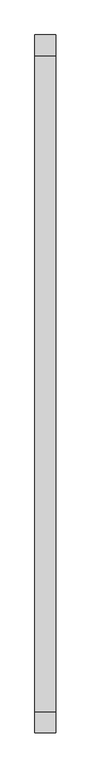
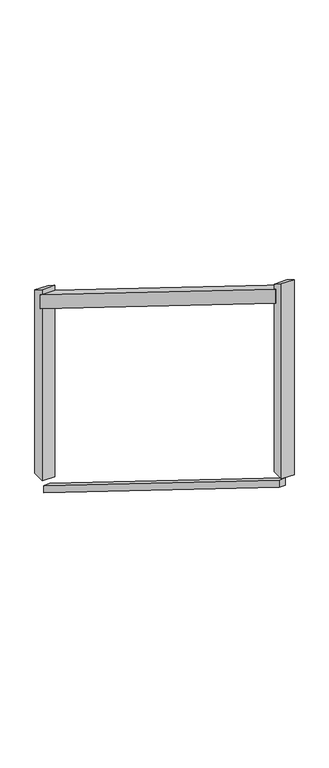
"""IFC4 building model written with IfcOpenShell, lengths in millimetres: railing geometry."""

from ifc_helpers import new_model, si_unit, frame, origin, place, context, project, spatial, polyline, outline, extrude, source, transform, mapped, element, save


def railing_0c926421(model_context):
    return source(origin(), model_context, "Body", "SweptSolid", [
        extrude(outline(polyline([(121108.0306038, 6227.0936501), (121108.0306038, 6167.3063499), (119476.0306038, 7180.1063499), (119476.0306038, 7239.8936501), (121108.0306038, 6227.0936501)])), frame((-19971.045956, 0.0, 0.0), z_axis=(1.0, 0.0, 0.0), x_axis=(0.0, 1.0, 0.0)), (0.0, 0.0, 1.0), 50.8),
        extrude(outline(polyline([(121108.0306038, 5414.546825), (121108.0306038, 5384.653175), (119476.0306038, 6397.453175), (119476.0306038, 6427.346825), (121108.0306038, 5414.546825)])), frame((-19958.345956, 0.0, 0.0), z_axis=(1.0, 0.0, 0.0), x_axis=(0.0, 1.0, 0.0)), (0.0, 0.0, 1.0), 25.4),
        extrude(outline(polyline([(119488.7306038, 7253.0185294), (119488.7306038, 6460.0), (119437.9306038, 6460.0), (119437.9306038, 7284.5444118), (119488.7306038, 7253.0185294)])), frame((-19971.045956, 0.0, 0.0), z_axis=(1.0, 0.0, 0.0), x_axis=(0.0, 1.0, 0.0)), (0.0, 0.0, 1.0), 50.8),
        extrude(outline(polyline([(121146.1306038, 6224.4555882), (121146.1306038, 5447.2), (121095.3306038, 5447.2), (121095.3306038, 6255.9814706), (121146.1306038, 6224.4555882)])), frame((-19971.045956, 0.0, 0.0), z_axis=(1.0, 0.0, 0.0), x_axis=(0.0, 1.0, 0.0)), (0.0, 0.0, 1.0), 50.8),
    ])


if __name__ == "__main__":
    model = new_model("IFC4")
    model_context = context("Model", 3, world=origin())
    ifc_project = project(units=[si_unit("LENGTHUNIT", "METRE", prefix="MILLI")], contexts=[model_context])
    site = spatial("IfcSite", under=ifc_project)
    building = spatial("IfcBuilding", under=site)
    placement = place(None, origin())
    railing_shape = railing_0c926421(model_context)
    element("IfcRailing", 1, at=placement, inside=building, context=model_context, shape_type="MappedRepresentation", body=[
        mapped(railing_shape, transform((0.0, 0.0, 0.0), x_axis=(1.0, 0.0, 0.0), y_axis=(0.0, 1.0, 0.0), z_axis=(0.0, 0.0, 1.0))),
    ])
    save(model, "model.ifc")
